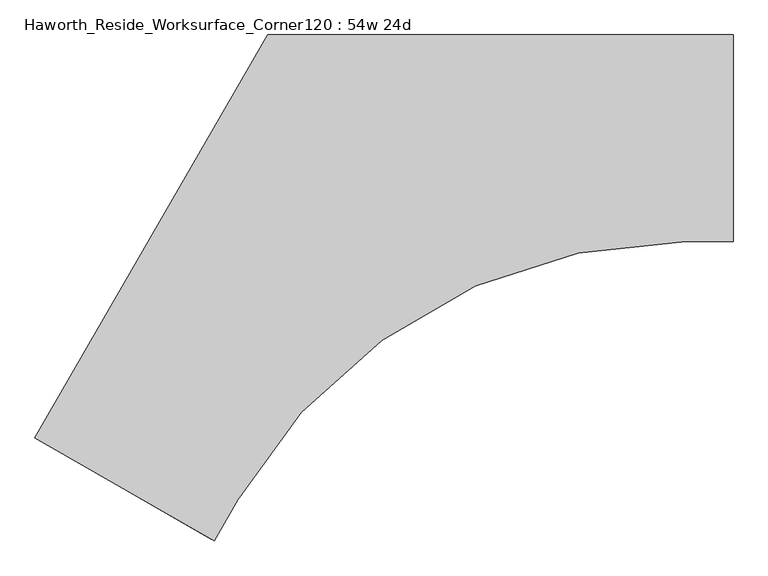
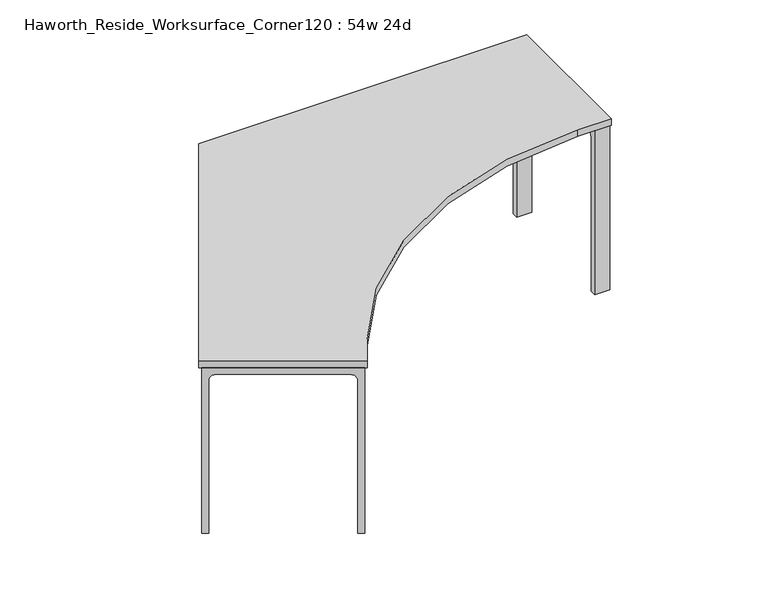
"""IFC4 building model written with IfcOpenShell, lengths in millimetres: furniture geometry, Haworth_Reside_Worksurface_Corner120 : 54w 24d."""

import ifcopenshell
import ifcopenshell.guid

model = None  # the IFC model being written
_history = None  # IfcOwnerHistory: only IFC2X3 demands one
_inside = {}  # id of a spatial element -> (the spatial element, [elements in it])
_under = {}  # id of a project, library or spatial element -> (it, [spatial elements below it])
_declared = {}  # id of a project -> (the project, [libraries it declares])
_typed = {}  # id of a type object -> (the type object, [elements of that type])
_made_of = {}  # id of a material, layer set ... -> (it, [elements and type objects made of it])


def new_model(schema):
    """Start an empty IFC model of exactly this schema.

    Asked for "IFC4X3", IfcOpenShell would pick the latest addendum, in which some entities
    have other attributes; the version numbers below select the first issue.
    IFC2X3 requires an IfcOwnerHistory on every rooted entity: one is made here for all.
    """
    global model, _history
    if schema == "IFC4X3":
        model = ifcopenshell.file(schema_version=(4, 3, 0, 0))
    else:
        model = ifcopenshell.file(schema=schema)
    _inside.clear()
    _under.clear()
    _declared.clear()
    _typed.clear()
    _made_of.clear()
    _history = None
    if model.schema == "IFC2X3":
        org = make("IfcOrganization", Name="unknown")
        user = make(
            "IfcPersonAndOrganization",
            ThePerson=make("IfcPerson", FamilyName="unknown"),
            TheOrganization=org,
        )
        app = make(
            "IfcApplication",
            ApplicationDeveloper=org,
            Version="unknown",
            ApplicationFullName="unknown",
            ApplicationIdentifier="unknown",
        )
        _history = make(
            "IfcOwnerHistory",
            OwningUser=user,
            OwningApplication=app,
            ChangeAction="ADDED",
            CreationDate=0,
        )
    return model


def make(cls, **values):
    """One entity of the class cls with the attributes given. An attribute that is None is left unset."""
    return model.create_entity(
        cls, **{name: value for name, value in values.items() if value is not None}
    )


def rooted(cls, **values):
    """An entity with a GlobalId (a new one), such as an element, a storey or a relation."""
    return make(cls, GlobalId=ifcopenshell.guid.new(), OwnerHistory=_history, **values)


def si_unit(unit_type, name, prefix=None):
    """IfcSIUnit, for example si_unit("LENGTHUNIT", "METRE", prefix="MILLI")."""
    return make("IfcSIUnit", UnitType=unit_type, Prefix=prefix, Name=name)


def assignment(units):
    """IfcUnitAssignment: the units of a project."""
    return None if units is None else make("IfcUnitAssignment", Units=units)


def point(xyz):
    """IfcCartesianPoint."""
    return None if xyz is None else make("IfcCartesianPoint", Coordinates=xyz)


def direction(xyz):
    """IfcDirection."""
    return None if xyz is None else make("IfcDirection", DirectionRatios=xyz)


def frame(location, z_axis=None, x_axis=None):
    """IfcAxis2Placement3D, a coordinate frame: its origin and axes. An axis left out is left unset."""
    return make(
        "IfcAxis2Placement3D",
        Location=point(location),
        Axis=direction(z_axis),
        RefDirection=direction(x_axis),
    )


def frame_2d(location, x_axis=None):
    """IfcAxis2Placement2D, a coordinate frame in the plane: its origin and x axis."""
    return make(
        "IfcAxis2Placement2D", Location=point(location), RefDirection=direction(x_axis)
    )


def origin():
    """The frame at (0, 0, 0) with its axes left unset."""
    return frame((0.0, 0.0, 0.0))


def place(relative_to, where):
    """IfcLocalPlacement: puts the frame where relative to a parent placement (None: the world)."""
    return make(
        "IfcLocalPlacement", PlacementRelTo=relative_to, RelativePlacement=where
    )


def context(
    kind, dimensions, precision=None, world=None, true_north=None, identifier=None
):
    """IfcGeometricRepresentationContext, for example the 3D "Model" context."""
    return make(
        "IfcGeometricRepresentationContext",
        ContextIdentifier=identifier,
        ContextType=kind,
        CoordinateSpaceDimension=dimensions,
        Precision=precision,
        WorldCoordinateSystem=world,
        TrueNorth=true_north,
    )


def project(units=None, contexts=None):
    """IfcProject with its units and contexts."""
    return rooted(
        "IfcProject",
        Name="project",
        RepresentationContexts=contexts,
        UnitsInContext=assignment(units),
    )


def spatial(cls, under=None, at=None, **own):
    """A site, building, storey or space (cls), placed at a placement, below another one or the project."""
    s = rooted(cls, ObjectPlacement=at, **own)
    if under is not None:
        _under.setdefault(under.id(), (under, []))[1].append(s)
    return s


def polyline(points):
    """IfcPolyline through the points."""
    return make("IfcPolyline", Points=[point(p) for p in points])


def circle_curve(where, radius):
    """IfcCircle in the frame where."""
    return make("IfcCircle", Position=where, Radius=radius)


def trimmed(basis, trim1, trim2, sense, master):
    """IfcTrimmedCurve: the piece of a basis curve between two trims."""
    return make(
        "IfcTrimmedCurve",
        BasisCurve=basis,
        Trim1=trim1,
        Trim2=trim2,
        SenseAgreement=sense,
        MasterRepresentation=master,
    )


def segment(curve, same_sense, transition):
    """IfcCompositeCurveSegment."""
    return make(
        "IfcCompositeCurveSegment",
        Transition=transition,
        SameSense=same_sense,
        ParentCurve=curve,
    )


def composite_curve(segments, self_intersect=None):
    """IfcCompositeCurve: segments joined end to end."""
    return make("IfcCompositeCurve", Segments=segments, SelfIntersect=self_intersect)


def outline(outer, holes=None, kind="AREA"):
    """IfcArbitraryClosedProfileDef: a profile drawn as a closed curve; with holes, ...WithVoids."""
    if holes is None:
        return make("IfcArbitraryClosedProfileDef", ProfileType=kind, OuterCurve=outer)
    return make(
        "IfcArbitraryProfileDefWithVoids",
        ProfileType=kind,
        OuterCurve=outer,
        InnerCurves=holes,
    )


def extrude(swept, where, along, depth):
    """IfcExtrudedAreaSolid: the profile swept, set in the frame where, extruded along a direction by depth."""
    return make(
        "IfcExtrudedAreaSolid",
        SweptArea=swept,
        Position=where,
        ExtrudedDirection=direction(along),
        Depth=depth,
    )


def shape(context_of_items, identifier, shape_type, items):
    """IfcShapeRepresentation: the items that make up one representation, for example the "Body"."""
    return make(
        "IfcShapeRepresentation",
        ContextOfItems=context_of_items,
        RepresentationIdentifier=identifier,
        RepresentationType=shape_type,
        Items=items,
    )


def source(mapping_origin, context_of_items, identifier, shape_type, items):
    """IfcRepresentationMap: a shape defined once, which mapped items show again and again."""
    return make(
        "IfcRepresentationMap",
        MappingOrigin=mapping_origin,
        MappedRepresentation=shape(context_of_items, identifier, shape_type, items),
    )


def transform(
    local_origin,
    x_axis=None,
    y_axis=None,
    z_axis=None,
    scale=None,
    scale2=None,
    scale3=None,
    uniform=True,
):
    """IfcCartesianTransformationOperator3D, or its non-uniform kind. x_axis, y_axis, z_axis: its Axis1, 2, 3."""
    if uniform:
        return make(
            "IfcCartesianTransformationOperator3D",
            Axis1=direction(x_axis),
            Axis2=direction(y_axis),
            LocalOrigin=point(local_origin),
            Scale=scale,
            Axis3=direction(z_axis),
        )
    return make(
        "IfcCartesianTransformationOperator3DnonUniform",
        Axis1=direction(x_axis),
        Axis2=direction(y_axis),
        LocalOrigin=point(local_origin),
        Scale=scale,
        Axis3=direction(z_axis),
        Scale2=scale2,
        Scale3=scale3,
    )


def mapped(mapping_source, mapping_target):
    """IfcMappedItem: shows the shape of a source again, moved by a transform."""
    return make(
        "IfcMappedItem", MappingSource=mapping_source, MappingTarget=mapping_target
    )


def made_of(thing, what):
    """Note that an element or type object is made of a material, layer set ...; save() writes the relation."""
    if what is not None:
        _made_of.setdefault(what.id(), (what, []))[1].append(thing)
    return thing


def element(
    cls,
    number,
    at=None,
    inside=None,
    cuts=None,
    type_object=None,
    material=None,
    context=None,
    identifier="Body",
    shape_type=None,
    held_by="IfcProductDefinitionShape",
    body=None,
    shapes=None,
    **own,
):
    """One element of the class cls, such as IfcWall. Its Tag is "e" and its number.

    at: its placement. inside: the storey or other place that contains it. cuts: it is an
    opening in that element (IfcRelVoidsElement). A single representation is given by context,
    identifier, shape_type and body (its items); several are given by shapes. held_by: the class
    of the entity that holds the representations. save() writes the other relations.
    """
    e = rooted(cls, Tag="e%d" % number, ObjectPlacement=at, **own)
    if body is not None:
        shapes = [shape(context, identifier, shape_type, body)]
    if shapes is not None:
        e.Representation = make(held_by, Representations=shapes)
    if inside is not None:
        _inside.setdefault(inside.id(), (inside, []))[1].append(e)
    if cuts is not None:
        rooted(
            "IfcRelVoidsElement", RelatingBuildingElement=cuts, RelatedOpeningElement=e
        )
    if type_object is not None:
        _typed.setdefault(type_object.id(), (type_object, []))[1].append(e)
    return made_of(e, material)


def aggregate(whole, parts):
    """IfcRelAggregates: a whole, such as a stair, and the parts it consists of."""
    return rooted("IfcRelAggregates", RelatingObject=whole, RelatedObjects=parts)


def save(model, path):
    """Write the relations noted so far, then the file.

    IfcRelAggregates (storeys below a building ...), IfcRelContainedInSpatialStructure (elements
    in a storey), IfcRelDefinesByType, IfcRelAssociatesMaterial and IfcRelDeclares: one each for
    every whole, place, type object, material and project.
    """
    for whole, parts in _under.values():
        aggregate(whole, parts)
    for where, things in _inside.values():
        rooted(
            "IfcRelContainedInSpatialStructure",
            RelatedElements=things,
            RelatingStructure=where,
        )
    for kind, things in _typed.values():
        rooted("IfcRelDefinesByType", RelatedObjects=things, RelatingType=kind)
    for what, things in _made_of.values():
        rooted("IfcRelAssociatesMaterial", RelatedObjects=things, RelatingMaterial=what)
    for by, libraries in _declared.values():
        rooted("IfcRelDeclares", RelatingContext=by, RelatedDefinitions=libraries)
    model.write(path)


def haworth_reside_worksurface_corner120_54w_24d_4c409421(model_context):
    return source(origin(), model_context, "Body", "SweptSolid", [
        extrude(outline(composite_curve([segment(polyline([(0.0, 0.0), (146.0500001, 0.0), (146.0500001, -731.8375), (120.65, -731.8375), (120.65, -55.5625)]), True, "CONTINUOUS"), segment(trimmed(circle_curve(frame_2d((95.25, -55.5625)), 25.4), [point((120.65, -55.5625))], [point((95.25, -30.1625))], True, "CARTESIAN"), True, "CONTINUOUS"), segment(polyline([(95.25, -30.1625), (0.0, -30.1625), (0.0, 0.0)]), True, "CONTINUOUS")], self_intersect=False)), frame((-684.7213066, 107.4493766, 731.8375), z_axis=(0.866025403784444, 0.49999999999999084, 0.0), x_axis=(-0.49999999999999084, 0.866025403784444, 0.0)), (0.0, 0.0, 1.0), 63.5),
        extrude(outline(composite_curve([segment(polyline([(0.0, 0.0), (527.05, 0.0), (527.05, -731.8375), (501.65, -731.8375), (501.65, -55.5625)]), True, "CONTINUOUS"), segment(trimmed(circle_curve(frame_2d((476.25, -55.5625)), 25.4), [point((501.65, -55.5625))], [point((476.25, -30.1625))], True, "CARTESIAN"), True, "CONTINUOUS"), segment(polyline([(476.25, -30.1625), (0.0, -30.1625), (0.0, 0.0)]), True, "CONTINUOUS")], self_intersect=False)), frame((-494.2213066, -222.5063022, 731.8375), z_axis=(0.866025403784444, 0.49999999999999084, 0.0), x_axis=(-0.49999999999999084, 0.866025403784444, 0.0)), (0.0, 0.0, 1.0), 63.5),
        extrude(outline(composite_curve([segment(trimmed(circle_curve(frame_2d((244.475, 676.275)), 25.4), [point((269.875, 676.275))], [point((244.475, 701.675))], True, "CARTESIAN"), True, "CONTINUOUS"), segment(polyline([(244.475, 701.675), (-244.475, 701.675)]), True, "CONTINUOUS"), segment(trimmed(circle_curve(frame_2d((-244.475, 676.275)), 25.4), [point((-244.475, 701.675))], [point((-269.875, 676.275))], True, "CARTESIAN"), True, "CONTINUOUS"), segment(polyline([(-269.875, 676.275), (-269.875, 0.0), (-295.275, 0.0), (-295.275, 731.8375), (295.275, 731.8375), (295.275, 0.0), (269.875, 0.0), (269.875, 676.275)]), True, "CONTINUOUS")], self_intersect=False)), frame((546.1, 0.0, 0.0), z_axis=(1.0, 0.0, 0.0), x_axis=(0.0, 1.0, 0.0)), (0.0, 0.0, 1.0), 63.5),
        extrude(outline(composite_curve([segment(trimmed(circle_curve(frame_2d((676.275, 25.4)), 25.4), [point((676.275, 0.0))], [point((701.675, 25.4))], True, "CARTESIAN"), True, "CONTINUOUS"), segment(polyline([(701.675, 25.4), (701.675, 514.3500001)]), True, "CONTINUOUS"), segment(trimmed(circle_curve(frame_2d((676.275, 514.3500001)), 25.4), [point((701.675, 514.3500001))], [point((676.275, 539.75))], True, "CARTESIAN"), True, "CONTINUOUS"), segment(polyline([(676.275, 539.75), (0.0, 539.75), (0.0, 565.15), (731.8375, 565.15), (731.8375, -25.4), (0.0, -25.4), (0.0, 0.0), (676.275, 0.0)]), True, "CONTINUOUS")], self_intersect=False)), frame((-1417.5540628, -900.5029438, 0.0), z_axis=(0.4999999999999951, 0.8660254037844415, 0.0), x_axis=(0.0, 0.0, 1.0)), (0.0, 0.0, 1.0), 63.5),
        extrude(outline(composite_curve([segment(polyline([(-1447.8, -883.0404438), (-762.0, 304.8), (609.6, 304.8), (609.6, -304.8), (469.8345343, -304.8)]), True, "CONTINUOUS"), segment(trimmed(circle_curve(frame_2d((469.8345343, -1828.8)), 1524.0), [point((469.8345343, -304.8))], [point((-849.988181, -1066.8))], True, "CARTESIAN"), True, "CONTINUOUS"), segment(polyline([(-849.988181, -1066.8), (-919.8709139, -1187.8404438), (-1447.8, -883.0404438)]), True, "CONTINUOUS")], self_intersect=False)), frame((0.0, 0.0, 731.8375), z_axis=(0.0, 0.0, 1.0), x_axis=(1.0, 0.0, 0.0)), (0.0, 0.0, 1.0), 30.1625),
    ])


if __name__ == "__main__":
    model = new_model("IFC4")
    model_context = context("Model", 3, world=origin())
    ifc_project = project(units=[si_unit("LENGTHUNIT", "METRE", prefix="MILLI")], contexts=[model_context])
    site = spatial("IfcSite", under=ifc_project)
    building = spatial("IfcBuilding", under=site)
    placement = place(None, origin())
    haworth_reside_worksurface_corner120_54w_24d_shape = haworth_reside_worksurface_corner120_54w_24d_4c409421(model_context)
    element("IfcFurniture", 1, ObjectType="Haworth_Reside_Worksurface_Corner120 : 54w 24d", at=placement, inside=building, context=model_context, shape_type="MappedRepresentation", body=[
        mapped(haworth_reside_worksurface_corner120_54w_24d_shape, transform((0.0, 0.0, 0.0), x_axis=(1.0, 0.0, 0.0), y_axis=(0.0, 1.0, 0.0), z_axis=(0.0, 0.0, 1.0))),
    ])
    save(model, "model.ifc")
